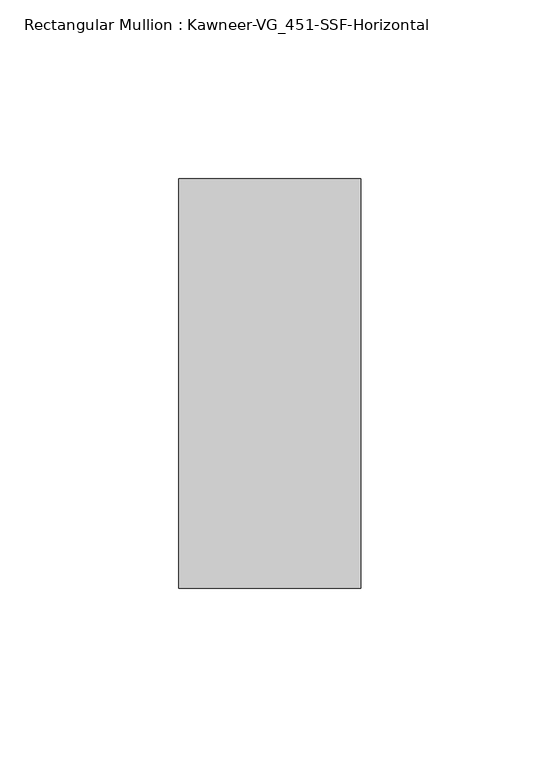
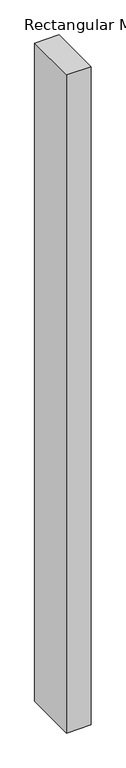
"""IFC4 building model written with IfcOpenShell, lengths in millimetres: member geometry, Rectangular Mullion : Kawneer-VG_451-SSF-Horizontal."""

import ifcopenshell
import ifcopenshell.guid

model = None  # the IFC model being written
_history = None  # IfcOwnerHistory: only IFC2X3 demands one
_inside = {}  # id of a spatial element -> (the spatial element, [elements in it])
_under = {}  # id of a project, library or spatial element -> (it, [spatial elements below it])
_declared = {}  # id of a project -> (the project, [libraries it declares])
_typed = {}  # id of a type object -> (the type object, [elements of that type])
_made_of = {}  # id of a material, layer set ... -> (it, [elements and type objects made of it])


def new_model(schema):
    """Start an empty IFC model of exactly this schema.

    Asked for "IFC4X3", IfcOpenShell would pick the latest addendum, in which some entities
    have other attributes; the version numbers below select the first issue.
    IFC2X3 requires an IfcOwnerHistory on every rooted entity: one is made here for all.
    """
    global model, _history
    if schema == "IFC4X3":
        model = ifcopenshell.file(schema_version=(4, 3, 0, 0))
    else:
        model = ifcopenshell.file(schema=schema)
    _inside.clear()
    _under.clear()
    _declared.clear()
    _typed.clear()
    _made_of.clear()
    _history = None
    if model.schema == "IFC2X3":
        org = make("IfcOrganization", Name="unknown")
        user = make(
            "IfcPersonAndOrganization",
            ThePerson=make("IfcPerson", FamilyName="unknown"),
            TheOrganization=org,
        )
        app = make(
            "IfcApplication",
            ApplicationDeveloper=org,
            Version="unknown",
            ApplicationFullName="unknown",
            ApplicationIdentifier="unknown",
        )
        _history = make(
            "IfcOwnerHistory",
            OwningUser=user,
            OwningApplication=app,
            ChangeAction="ADDED",
            CreationDate=0,
        )
    return model


def make(cls, **values):
    """One entity of the class cls with the attributes given. An attribute that is None is left unset."""
    return model.create_entity(
        cls, **{name: value for name, value in values.items() if value is not None}
    )


def rooted(cls, **values):
    """An entity with a GlobalId (a new one), such as an element, a storey or a relation."""
    return make(cls, GlobalId=ifcopenshell.guid.new(), OwnerHistory=_history, **values)


def si_unit(unit_type, name, prefix=None):
    """IfcSIUnit, for example si_unit("LENGTHUNIT", "METRE", prefix="MILLI")."""
    return make("IfcSIUnit", UnitType=unit_type, Prefix=prefix, Name=name)


def assignment(units):
    """IfcUnitAssignment: the units of a project."""
    return None if units is None else make("IfcUnitAssignment", Units=units)


def point(xyz):
    """IfcCartesianPoint."""
    return None if xyz is None else make("IfcCartesianPoint", Coordinates=xyz)


def direction(xyz):
    """IfcDirection."""
    return None if xyz is None else make("IfcDirection", DirectionRatios=xyz)


def frame(location, z_axis=None, x_axis=None):
    """IfcAxis2Placement3D, a coordinate frame: its origin and axes. An axis left out is left unset."""
    return make(
        "IfcAxis2Placement3D",
        Location=point(location),
        Axis=direction(z_axis),
        RefDirection=direction(x_axis),
    )


def origin():
    """The frame at (0, 0, 0) with its axes left unset."""
    return frame((0.0, 0.0, 0.0))


def place(relative_to, where):
    """IfcLocalPlacement: puts the frame where relative to a parent placement (None: the world)."""
    return make(
        "IfcLocalPlacement", PlacementRelTo=relative_to, RelativePlacement=where
    )


def context(
    kind, dimensions, precision=None, world=None, true_north=None, identifier=None
):
    """IfcGeometricRepresentationContext, for example the 3D "Model" context."""
    return make(
        "IfcGeometricRepresentationContext",
        ContextIdentifier=identifier,
        ContextType=kind,
        CoordinateSpaceDimension=dimensions,
        Precision=precision,
        WorldCoordinateSystem=world,
        TrueNorth=true_north,
    )


def project(units=None, contexts=None):
    """IfcProject with its units and contexts."""
    return rooted(
        "IfcProject",
        Name="project",
        RepresentationContexts=contexts,
        UnitsInContext=assignment(units),
    )


def spatial(cls, under=None, at=None, **own):
    """A site, building, storey or space (cls), placed at a placement, below another one or the project."""
    s = rooted(cls, ObjectPlacement=at, **own)
    if under is not None:
        _under.setdefault(under.id(), (under, []))[1].append(s)
    return s


def polyline(points):
    """IfcPolyline through the points."""
    return make("IfcPolyline", Points=[point(p) for p in points])


def outline(outer, holes=None, kind="AREA"):
    """IfcArbitraryClosedProfileDef: a profile drawn as a closed curve; with holes, ...WithVoids."""
    if holes is None:
        return make("IfcArbitraryClosedProfileDef", ProfileType=kind, OuterCurve=outer)
    return make(
        "IfcArbitraryProfileDefWithVoids",
        ProfileType=kind,
        OuterCurve=outer,
        InnerCurves=holes,
    )


def extrude(swept, where, along, depth):
    """IfcExtrudedAreaSolid: the profile swept, set in the frame where, extruded along a direction by depth."""
    return make(
        "IfcExtrudedAreaSolid",
        SweptArea=swept,
        Position=where,
        ExtrudedDirection=direction(along),
        Depth=depth,
    )


def shape(context_of_items, identifier, shape_type, items):
    """IfcShapeRepresentation: the items that make up one representation, for example the "Body"."""
    return make(
        "IfcShapeRepresentation",
        ContextOfItems=context_of_items,
        RepresentationIdentifier=identifier,
        RepresentationType=shape_type,
        Items=items,
    )


def source(mapping_origin, context_of_items, identifier, shape_type, items):
    """IfcRepresentationMap: a shape defined once, which mapped items show again and again."""
    return make(
        "IfcRepresentationMap",
        MappingOrigin=mapping_origin,
        MappedRepresentation=shape(context_of_items, identifier, shape_type, items),
    )


def transform(
    local_origin,
    x_axis=None,
    y_axis=None,
    z_axis=None,
    scale=None,
    scale2=None,
    scale3=None,
    uniform=True,
):
    """IfcCartesianTransformationOperator3D, or its non-uniform kind. x_axis, y_axis, z_axis: its Axis1, 2, 3."""
    if uniform:
        return make(
            "IfcCartesianTransformationOperator3D",
            Axis1=direction(x_axis),
            Axis2=direction(y_axis),
            LocalOrigin=point(local_origin),
            Scale=scale,
            Axis3=direction(z_axis),
        )
    return make(
        "IfcCartesianTransformationOperator3DnonUniform",
        Axis1=direction(x_axis),
        Axis2=direction(y_axis),
        LocalOrigin=point(local_origin),
        Scale=scale,
        Axis3=direction(z_axis),
        Scale2=scale2,
        Scale3=scale3,
    )


def mapped(mapping_source, mapping_target):
    """IfcMappedItem: shows the shape of a source again, moved by a transform."""
    return make(
        "IfcMappedItem", MappingSource=mapping_source, MappingTarget=mapping_target
    )


def made_of(thing, what):
    """Note that an element or type object is made of a material, layer set ...; save() writes the relation."""
    if what is not None:
        _made_of.setdefault(what.id(), (what, []))[1].append(thing)
    return thing


def element(
    cls,
    number,
    at=None,
    inside=None,
    cuts=None,
    type_object=None,
    material=None,
    context=None,
    identifier="Body",
    shape_type=None,
    held_by="IfcProductDefinitionShape",
    body=None,
    shapes=None,
    **own,
):
    """One element of the class cls, such as IfcWall. Its Tag is "e" and its number.

    at: its placement. inside: the storey or other place that contains it. cuts: it is an
    opening in that element (IfcRelVoidsElement). A single representation is given by context,
    identifier, shape_type and body (its items); several are given by shapes. held_by: the class
    of the entity that holds the representations. save() writes the other relations.
    """
    e = rooted(cls, Tag="e%d" % number, ObjectPlacement=at, **own)
    if body is not None:
        shapes = [shape(context, identifier, shape_type, body)]
    if shapes is not None:
        e.Representation = make(held_by, Representations=shapes)
    if inside is not None:
        _inside.setdefault(inside.id(), (inside, []))[1].append(e)
    if cuts is not None:
        rooted(
            "IfcRelVoidsElement", RelatingBuildingElement=cuts, RelatedOpeningElement=e
        )
    if type_object is not None:
        _typed.setdefault(type_object.id(), (type_object, []))[1].append(e)
    return made_of(e, material)


def aggregate(whole, parts):
    """IfcRelAggregates: a whole, such as a stair, and the parts it consists of."""
    return rooted("IfcRelAggregates", RelatingObject=whole, RelatedObjects=parts)


def save(model, path):
    """Write the relations noted so far, then the file.

    IfcRelAggregates (storeys below a building ...), IfcRelContainedInSpatialStructure (elements
    in a storey), IfcRelDefinesByType, IfcRelAssociatesMaterial and IfcRelDeclares: one each for
    every whole, place, type object, material and project.
    """
    for whole, parts in _under.values():
        aggregate(whole, parts)
    for where, things in _inside.values():
        rooted(
            "IfcRelContainedInSpatialStructure",
            RelatedElements=things,
            RelatingStructure=where,
        )
    for kind, things in _typed.values():
        rooted("IfcRelDefinesByType", RelatedObjects=things, RelatingType=kind)
    for what, things in _made_of.values():
        rooted("IfcRelAssociatesMaterial", RelatedObjects=things, RelatingMaterial=what)
    for by, libraries in _declared.values():
        rooted("IfcRelDeclares", RelatingContext=by, RelatedDefinitions=libraries)
    model.write(path)


def rectangular_mullion_kawneer_vg_451_ssf_horizontal_adbf91b8(model_context):
    return source(origin(), model_context, "Body", "SweptSolid", [
        extrude(outline(polyline([(25.4, 57.15), (25.4, -57.15), (-25.4, -57.15), (-25.4, 57.15), (25.4, 57.15)])), frame((0.0, 0.0, -1439.8625), z_axis=(0.0, 0.0, 1.0), x_axis=(1.0, 0.0, 0.0)), (0.0, 0.0, 1.0), 1439.8625),
    ])


if __name__ == "__main__":
    model = new_model("IFC4")
    model_context = context("Model", 3, world=origin())
    ifc_project = project(units=[si_unit("LENGTHUNIT", "METRE", prefix="MILLI")], contexts=[model_context])
    site = spatial("IfcSite", under=ifc_project)
    building = spatial("IfcBuilding", under=site)
    placement = place(None, origin())
    rectangular_mullion_kawneer_vg_451_ssf_horizontal_shape = rectangular_mullion_kawneer_vg_451_ssf_horizontal_adbf91b8(model_context)
    element("IfcMember", 1, ObjectType="Rectangular Mullion : Kawneer-VG_451-SSF-Horizontal", at=placement, inside=building, context=model_context, shape_type="MappedRepresentation", body=[
        mapped(rectangular_mullion_kawneer_vg_451_ssf_horizontal_shape, transform((0.0, 0.0, 0.0), x_axis=(1.0, 0.0, 0.0), y_axis=(0.0, 1.0, 0.0), z_axis=(0.0, 0.0, 1.0))),
    ])
    save(model, "model.ifc")
